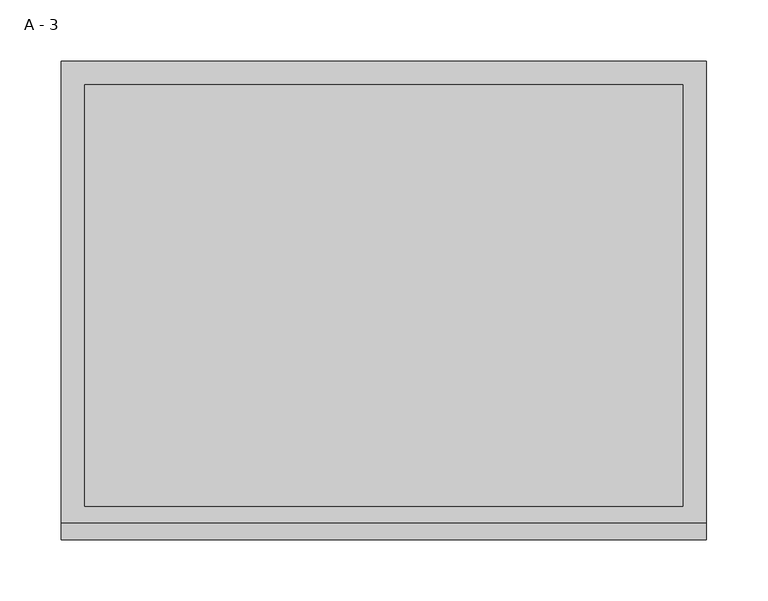
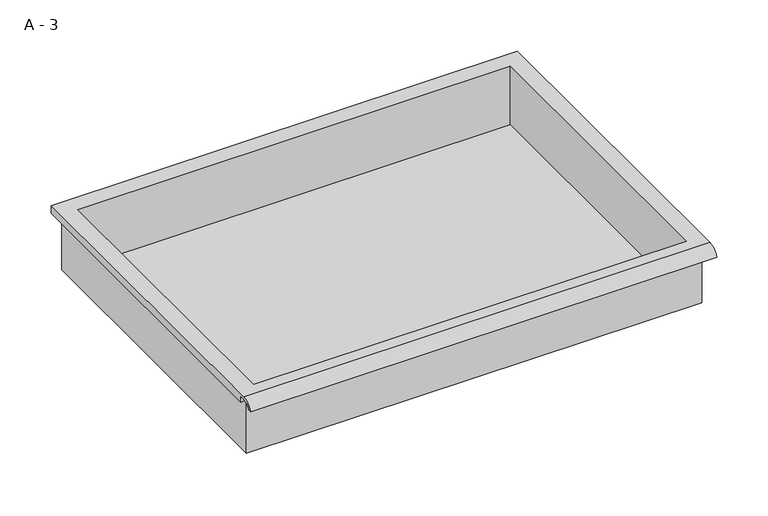
"""IFC4 building model written with IfcOpenShell, lengths in millimetres: furniture geometry, A - 3."""

from ifc_helpers import new_model, si_unit, frame, origin, place, context, project, spatial, polyline, circle_curve, source, transform, mapped, element, save
from ifc_brep_helpers import plane_surface, cylinder_surface, revolved_surface, advanced_brep


def a_3_876ce57f(model_context):
    return source(origin(), model_context, "Body", "AdvancedBrep", [
        advanced_brep(
        [(-257.1076517, -176.2125, 719.25942), (257.2423483, -176.2125, 719.25942), (257.2423483, -176.2125, 782.75942), (263.5923483, -176.2125, 782.75942), (263.5923483, -176.2125, 789.0665541), (-263.4576517, -176.2125, 789.0665541), (-263.4576517, -176.2125, 782.75942), (-257.1076517, -176.2125, 782.75942), (257.2423483, 185.7375, 719.25942), (-257.1076517, 185.7375, 719.25942), (-257.1076517, 185.7375, 782.75942), (257.2423483, 185.7375, 782.75942), (263.5923483, -181.6070544, 792.28442), (263.5923483, 195.2625, 792.28442), (-263.4576517, 195.2625, 792.28442), (-263.4576517, -181.6070544, 792.28442), (244.5423483, -168.275, 792.28442), (-244.4076517, -168.275, 792.28442), (-244.4076517, 176.2125, 792.28442), (244.5423483, 176.2125, 792.28442), (263.5923483, -195.2625, 782.75942), (263.5923483, -191.8280601, 782.75942), (263.5923483, -180.4714815, 789.0665541), (263.5923483, 195.2625, 782.75942), (-263.4576517, 195.2625, 782.75942), (-263.4576517, -180.4714815, 789.0665541), (-263.4576517, -191.8280601, 782.75942), (-263.4576517, -195.2625, 782.75942), (-244.4076517, -168.275, 722.2855919), (244.5423483, -168.275, 722.2855919), (244.5423483, 176.2125, 722.2855919), (-244.4076517, 176.2125, 722.2855919)],
        [
            (0, 1),
            (1, 2),
            (2, 3),
            (3, 4),
            (4, 5),
            (5, 6),
            (6, 7),
            (7, 0),
            (8, 9),
            (9, 10),
            (10, 11),
            (11, 8),
            (0, 9),
            (8, 1),
            (11, 2),
            (12, 13),
            (13, 14),
            (14, 15),
            (15, 12),
            (16, 17),
            (17, 18),
            (18, 19),
            (19, 16),
            (7, 10),
            (12, 20, circle_curve(frame((263.5923483, -181.6070544, 777.7334059), z_axis=(1.0, 0.0, 0.0), x_axis=(0.0, 1.0, 0.0)), 14.5510141)),
            (20, 21),
            (21, 22, circle_curve(frame((263.5923483, -181.6070544, 777.7334059), z_axis=(-1.0, 0.0, 0.0), x_axis=(0.0, 1.0, 0.0)), 11.3898979)),
            (22, 4),
            (3, 23),
            (23, 13),
            (14, 24),
            (24, 6),
            (5, 25),
            (25, 26, circle_curve(frame((-263.4576517, -181.6070544, 777.7334059), z_axis=(1.0, 0.0, 0.0), x_axis=(0.0, 1.0, 0.0)), 11.3898979)),
            (26, 27),
            (27, 15, circle_curve(frame((-263.4576517, -181.6070544, 777.7334059), z_axis=(-1.0, 0.0, 0.0), x_axis=(0.0, 1.0, 0.0)), 14.5510141)),
            (27, 20),
            (26, 21),
            (25, 22),
            (24, 23),
            (28, 29),
            (29, 30),
            (30, 31),
            (31, 28),
            (28, 17),
            (16, 29),
            (19, 30),
            (18, 31),
        ],
        [
            plane_surface(frame((257.2423483, -176.2125, 719.25942), z_axis=(0.0, -1.0, 0.0), x_axis=(1.0, 0.0, 0.0))),
            plane_surface(frame((257.2423483, 185.7375, 719.25942), z_axis=(0.0, 1.0, 0.0), x_axis=(-1.0, 0.0, 0.0))),
            plane_surface(frame((-257.1076517, -176.2125, 719.25942), z_axis=(0.0, 0.0, -1.0), x_axis=(0.0, 1.0, 0.0))),
            plane_surface(frame((257.2423483, -176.2125, 719.25942), z_axis=(1.0, 0.0, 0.0), x_axis=(0.0, 1.0, 0.0))),
            plane_surface(frame((257.2423483, -176.2125, 792.28442), z_axis=(0.0, 0.0, 1.0), x_axis=(0.0, 1.0, 0.0))),
            plane_surface(frame((-257.1076517, -176.2125, 792.28442), z_axis=(-1.0, 0.0, 0.0), x_axis=(0.0, 1.0, 0.0))),
            plane_surface(frame((263.5923483, 195.2625, 792.28442), z_axis=(1.0, 0.0, 0.0), x_axis=(0.0, -1.0, 0.0))),
            plane_surface(frame((-263.4576517, 195.2625, 792.28442), z_axis=(-1.0, 0.0, 0.0), x_axis=(0.0, 1.0, 0.0))),
            cylinder_surface(frame((-263.4576517, -181.6070544, 777.7334059), z_axis=(1.0, 0.0, 0.0), x_axis=(0.0, 1.0, 0.0)), 14.5510141),
            plane_surface(frame((263.5923483, -195.2625, 782.75942), z_axis=(0.0, -7.212409108515541e-12, -1.0), x_axis=(-1.0, 0.0, 0.0))),
            revolved_surface(polyline([(-263.4576517, -170.21715650000002, 777.7334059), (263.59234829999997, -170.21715650000002, 777.7334059)]), (-263.4576517, -181.6070544, 777.7334059), (-1.0, 0.0, 0.0)),
            plane_surface(frame((263.5923483, -180.4714815, 789.0665541), z_axis=(0.0, -1.7893192132975762e-11, -1.0), x_axis=(-1.0, 0.0, 0.0))),
            plane_surface(frame((263.5923483, -176.2125, 782.75942), z_axis=(0.0, 0.0, -1.0), x_axis=(-1.0, 0.0, 0.0))),
            plane_surface(frame((263.5923483, 195.2625, 782.75942), z_axis=(0.0, 1.0, 0.0), x_axis=(-1.0, 0.0, 0.0))),
            plane_surface(frame((244.5423483, -168.275, 722.2855919), z_axis=(0.0, 0.0, 1.0), x_axis=(-1.0, 0.0, 0.0))),
            plane_surface(frame((-244.4076517, -168.275, 792.28442), z_axis=(0.0, 1.0, 0.0), x_axis=(0.0, 0.0, -1.0))),
            plane_surface(frame((244.5423483, -168.275, 792.28442), z_axis=(-1.0, 0.0, 0.0), x_axis=(0.0, 0.0, -1.0))),
            plane_surface(frame((244.5423483, 176.2125, 792.28442), z_axis=(0.0, -1.0, 0.0), x_axis=(0.0, 0.0, -1.0))),
            plane_surface(frame((-244.4076517, 176.2125, 792.28442), z_axis=(1.0, 0.0, 0.0), x_axis=(0.0, 0.0, -1.0))),
        ],
        [
            (0, [[1, 2, 3, 4, 5, 6, 7, 8]]),
            (1, [[9, 10, 11, 12]]),
            (2, [[-1, 13, -9, 14]]),
            (3, [[-14, -12, 15, -2]]),
            (4, [[16, 17, 18, 19], [20, 21, 22, 23]]),
            (5, [[-13, -8, 24, -10]]),
            (6, [[-16, 25, 26, 27, 28, -4, 29, 30]]),
            (7, [[31, 32, -6, 33, 34, 35, 36, -18]]),
            (8, [[-25, -19, -36, 37]]),
            (9, [[-26, -37, -35, 38]]),
            (10, [[-27, -38, -34, 39]]),
            (11, [[-28, -39, -33, -5]]),
            (12, [[-29, -3, -15, -11, -24, -7, -32, 40]]),
            (13, [[-30, -40, -31, -17]]),
            (14, [[41, 42, 43, 44]]),
            (15, [[-41, 45, -20, 46]]),
            (16, [[-42, -46, -23, 47]]),
            (17, [[-43, -47, -22, 48]]),
            (18, [[-44, -48, -21, -45]]),
        ],
    ),
    ])


if __name__ == "__main__":
    model = new_model("IFC4")
    model_context = context("Model", 3, world=origin())
    ifc_project = project(units=[si_unit("LENGTHUNIT", "METRE", prefix="MILLI")], contexts=[model_context])
    site = spatial("IfcSite", under=ifc_project)
    building = spatial("IfcBuilding", under=site)
    placement = place(None, origin())
    a_3_shape = a_3_876ce57f(model_context)
    element("IfcFurniture", 1, ObjectType="A - 3", at=placement, inside=building, context=model_context, shape_type="MappedRepresentation", body=[
        mapped(a_3_shape, transform((0.0, 0.0, 0.0), x_axis=(1.0, 0.0, 0.0), y_axis=(0.0, 1.0, 0.0), z_axis=(0.0, 0.0, 1.0))),
    ])
    save(model, "model.ifc")
